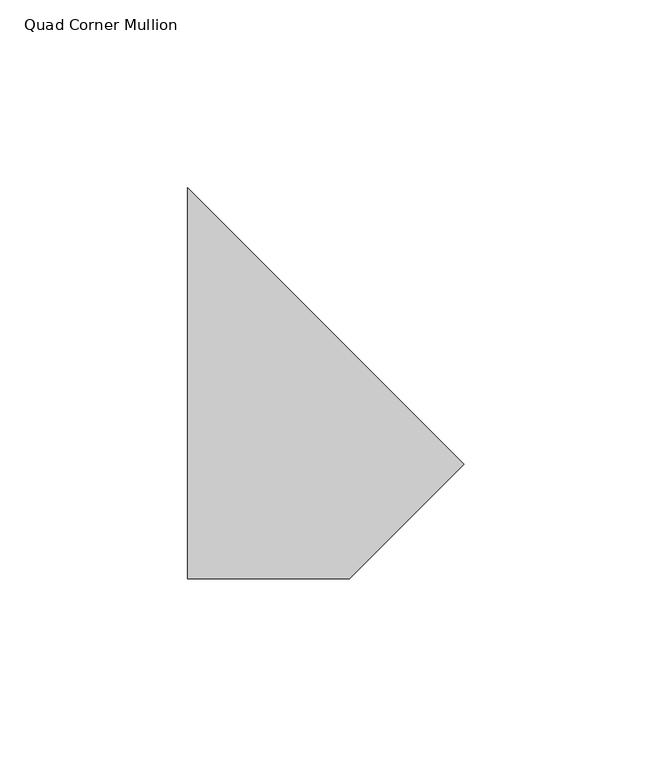
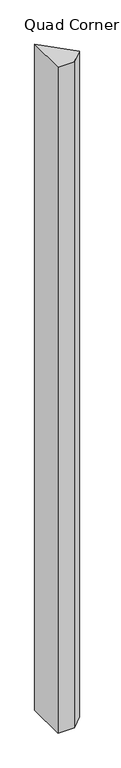
"""IFC4 building model written with IfcOpenShell, lengths in millimetres: member geometry, Quad Corner Mullion."""

from ifc_helpers import new_model, si_unit, frame, origin, place, context, project, spatial, polyline, outline, extrude, source, transform, mapped, element, save


def quad_corner_mullion_b63a83fb(model_context):
    return source(origin(), model_context, "Body", "SweptSolid", [
        extrude(outline(polyline([(45.6289851, -6.0776459), (15.1445216, -36.5621094), (-27.9670202, -36.5621094), (-27.9670202, 67.5183594), (45.6289851, -6.0776459)])), frame((0.0, 0.0, -1828.8), z_axis=(0.0, 0.0, 1.0), x_axis=(1.0, 0.0, 0.0)), (0.0, 0.0, 1.0), 1828.8),
    ])


if __name__ == "__main__":
    model = new_model("IFC4")
    model_context = context("Model", 3, world=origin())
    ifc_project = project(units=[si_unit("LENGTHUNIT", "METRE", prefix="MILLI")], contexts=[model_context])
    site = spatial("IfcSite", under=ifc_project)
    building = spatial("IfcBuilding", under=site)
    placement = place(None, origin())
    quad_corner_mullion_shape = quad_corner_mullion_b63a83fb(model_context)
    element("IfcMember", 1, ObjectType="Quad Corner Mullion", at=placement, inside=building, context=model_context, shape_type="MappedRepresentation", body=[
        mapped(quad_corner_mullion_shape, transform((0.0, 0.0, 0.0), x_axis=(1.0, 0.0, 0.0), y_axis=(0.0, 1.0, 0.0), z_axis=(0.0, 0.0, 1.0))),
    ])
    save(model, "model.ifc")
